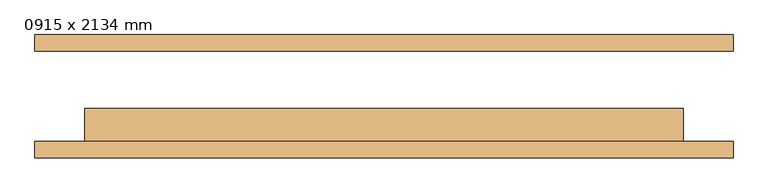
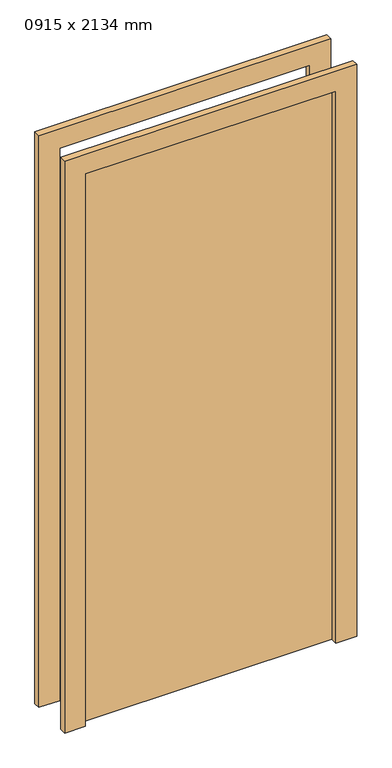
"""IFC4 building model written with IfcOpenShell, lengths in millimetres: door geometry, 0915 x 2134 mm."""

from ifc_helpers import new_model, si_unit, frame, origin, origin_with_axes, place, context, project, spatial, polyline, outline, extrude, source, transform, mapped, element, save


def door_0915_x_2134_mm_421da49b(model_context):
    return source(origin(), model_context, "Body", "SweptSolid", [
        extrude(outline(polyline([(2210.0, -533.5), (0.0, -533.5), (0.0, -457.5), (2134.0, -457.5), (2134.0, 457.5), (0.0, 457.5), (0.0, 533.5), (2210.0, 533.5), (2210.0, -533.5)])), frame((0.0, -94.25, 0.0), z_axis=(0.0, 1.0, 0.0), x_axis=(0.0, 0.0, 1.0)), (0.0, 0.0, 1.0), 25.0),
        extrude(outline(polyline([(2210.0, 533.5), (2210.0, -533.5), (0.0, -533.5), (0.0, -457.5), (2134.0, -457.5), (2134.0, 457.5), (0.0, 457.5), (0.0, 533.5), (2210.0, 533.5)])), frame((0.0, 69.25, 0.0), z_axis=(0.0, 1.0, 0.0), x_axis=(0.0, 0.0, 1.0)), (0.0, 0.0, 1.0), 25.0),
        extrude(outline(polyline([(457.5, -18.25), (457.5, -69.25), (-457.5, -69.25), (-457.5, -18.25), (457.5, -18.25)])), origin_with_axes(), (0.0, 0.0, 1.0), 2134.0),
    ])


if __name__ == "__main__":
    model = new_model("IFC4")
    model_context = context("Model", 3, world=origin())
    ifc_project = project(units=[si_unit("LENGTHUNIT", "METRE", prefix="MILLI")], contexts=[model_context])
    site = spatial("IfcSite", under=ifc_project)
    building = spatial("IfcBuilding", under=site)
    placement = place(None, origin())
    door_0915_x_2134_mm_shape = door_0915_x_2134_mm_421da49b(model_context)
    element("IfcDoor", 1, ObjectType="0915 x 2134 mm", at=placement, inside=building, context=model_context, shape_type="MappedRepresentation", body=[
        mapped(door_0915_x_2134_mm_shape, transform((0.0, 0.0, 0.0), x_axis=(1.0, 0.0, 0.0), y_axis=(0.0, 1.0, 0.0), z_axis=(0.0, 0.0, 1.0))),
    ])
    save(model, "model.ifc")
